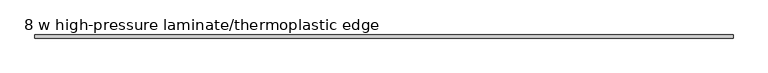
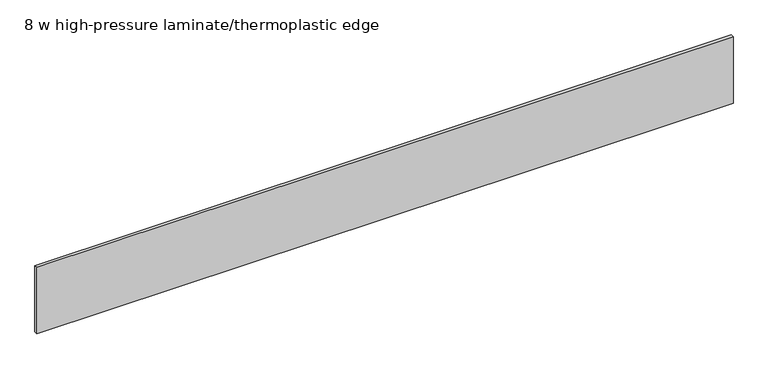
"""IFC4 building model written with IfcOpenShell, lengths in millimetres: furniture geometry, 8 w high-pressure laminate/thermoplastic edge."""

from ifc_helpers import new_model, si_unit, origin, origin_with_axes, place, context, project, spatial, polyline, outline, extrude, source, transform, mapped, element, save


def furniture_8_w_high_pressure_laminate_thermoplastic_edge_0c95d7e3(model_context):
    return source(origin(), model_context, "Body", "SweptSolid", [
        extrude(outline(polyline([(0.5999988, 0.0), (0.5999988, 10.9999997), (2437.8000366, 10.9999997), (2437.8000366, 0.0), (0.5999988, 0.0)])), origin_with_axes(), (0.0, 0.0, 1.0), 245.349995),
    ])


if __name__ == "__main__":
    model = new_model("IFC4")
    model_context = context("Model", 3, world=origin())
    ifc_project = project(units=[si_unit("LENGTHUNIT", "METRE", prefix="MILLI")], contexts=[model_context])
    site = spatial("IfcSite", under=ifc_project)
    building = spatial("IfcBuilding", under=site)
    placement = place(None, origin())
    furniture_8_w_high_pressure_laminate_thermoplastic_edge_shape = furniture_8_w_high_pressure_laminate_thermoplastic_edge_0c95d7e3(model_context)
    element("IfcFurniture", 1, ObjectType="8 w high-pressure laminate/thermoplastic edge", at=placement, inside=building, context=model_context, shape_type="MappedRepresentation", body=[
        mapped(furniture_8_w_high_pressure_laminate_thermoplastic_edge_shape, transform((0.0, 0.0, 0.0), x_axis=(1.0, 0.0, 0.0), y_axis=(0.0, 1.0, 0.0), z_axis=(0.0, 0.0, 1.0))),
    ])
    save(model, "model.ifc")
